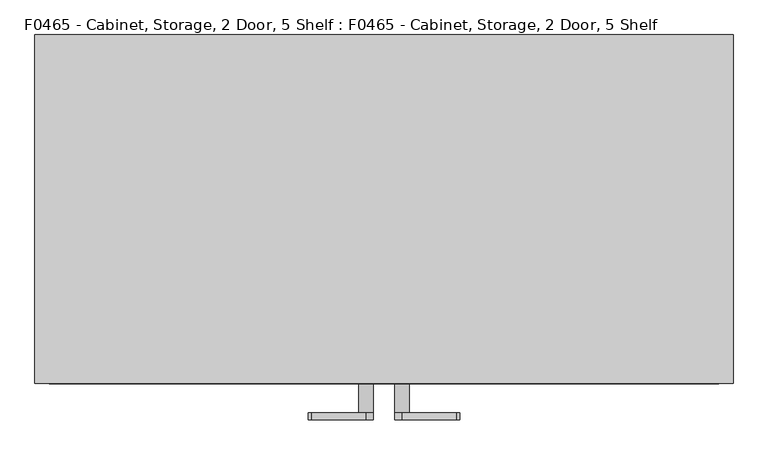
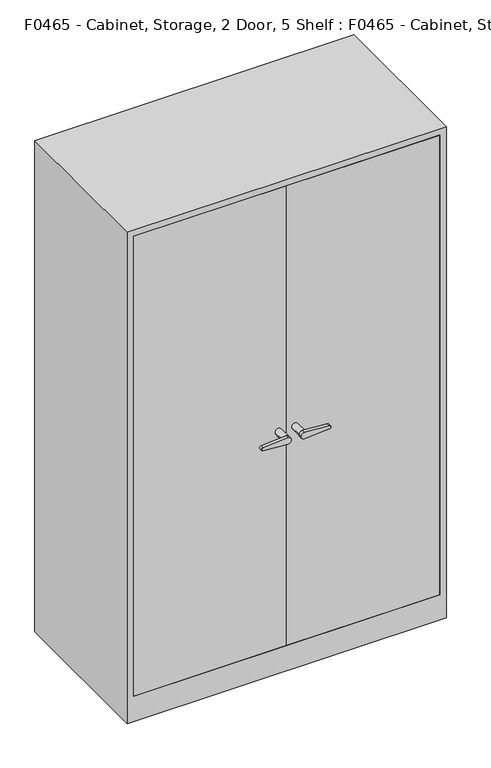
"""IFC4 building model written with IfcOpenShell, lengths in millimetres: proxy geometry, F0465 - Cabinet, Storage, 2 Door, 5 Shelf : F0465 - Cabinet, Storage, 2 Door, 5 Shelf."""

import ifcopenshell
import ifcopenshell.guid

model = None  # the IFC model being written
_history = None  # IfcOwnerHistory: only IFC2X3 demands one
_inside = {}  # id of a spatial element -> (the spatial element, [elements in it])
_under = {}  # id of a project, library or spatial element -> (it, [spatial elements below it])
_declared = {}  # id of a project -> (the project, [libraries it declares])
_typed = {}  # id of a type object -> (the type object, [elements of that type])
_made_of = {}  # id of a material, layer set ... -> (it, [elements and type objects made of it])


def new_model(schema):
    """Start an empty IFC model of exactly this schema.

    Asked for "IFC4X3", IfcOpenShell would pick the latest addendum, in which some entities
    have other attributes; the version numbers below select the first issue.
    IFC2X3 requires an IfcOwnerHistory on every rooted entity: one is made here for all.
    """
    global model, _history
    if schema == "IFC4X3":
        model = ifcopenshell.file(schema_version=(4, 3, 0, 0))
    else:
        model = ifcopenshell.file(schema=schema)
    _inside.clear()
    _under.clear()
    _declared.clear()
    _typed.clear()
    _made_of.clear()
    _history = None
    if model.schema == "IFC2X3":
        org = make("IfcOrganization", Name="unknown")
        user = make(
            "IfcPersonAndOrganization",
            ThePerson=make("IfcPerson", FamilyName="unknown"),
            TheOrganization=org,
        )
        app = make(
            "IfcApplication",
            ApplicationDeveloper=org,
            Version="unknown",
            ApplicationFullName="unknown",
            ApplicationIdentifier="unknown",
        )
        _history = make(
            "IfcOwnerHistory",
            OwningUser=user,
            OwningApplication=app,
            ChangeAction="ADDED",
            CreationDate=0,
        )
    return model


def make(cls, **values):
    """One entity of the class cls with the attributes given. An attribute that is None is left unset."""
    return model.create_entity(
        cls, **{name: value for name, value in values.items() if value is not None}
    )


def rooted(cls, **values):
    """An entity with a GlobalId (a new one), such as an element, a storey or a relation."""
    return make(cls, GlobalId=ifcopenshell.guid.new(), OwnerHistory=_history, **values)


def si_unit(unit_type, name, prefix=None):
    """IfcSIUnit, for example si_unit("LENGTHUNIT", "METRE", prefix="MILLI")."""
    return make("IfcSIUnit", UnitType=unit_type, Prefix=prefix, Name=name)


def assignment(units):
    """IfcUnitAssignment: the units of a project."""
    return None if units is None else make("IfcUnitAssignment", Units=units)


def point(xyz):
    """IfcCartesianPoint."""
    return None if xyz is None else make("IfcCartesianPoint", Coordinates=xyz)


def direction(xyz):
    """IfcDirection."""
    return None if xyz is None else make("IfcDirection", DirectionRatios=xyz)


def frame(location, z_axis=None, x_axis=None):
    """IfcAxis2Placement3D, a coordinate frame: its origin and axes. An axis left out is left unset."""
    return make(
        "IfcAxis2Placement3D",
        Location=point(location),
        Axis=direction(z_axis),
        RefDirection=direction(x_axis),
    )


def frame_2d(location, x_axis=None):
    """IfcAxis2Placement2D, a coordinate frame in the plane: its origin and x axis."""
    return make(
        "IfcAxis2Placement2D", Location=point(location), RefDirection=direction(x_axis)
    )


def origin():
    """The frame at (0, 0, 0) with its axes left unset."""
    return frame((0.0, 0.0, 0.0))


def origin_with_axes():
    """The frame at (0, 0, 0) with the z axis (0, 0, 1) and the x axis (1, 0, 0) written out."""
    return frame((0.0, 0.0, 0.0), z_axis=(0.0, 0.0, 1.0), x_axis=(1.0, 0.0, 0.0))


def place(relative_to, where):
    """IfcLocalPlacement: puts the frame where relative to a parent placement (None: the world)."""
    return make(
        "IfcLocalPlacement", PlacementRelTo=relative_to, RelativePlacement=where
    )


def context(
    kind, dimensions, precision=None, world=None, true_north=None, identifier=None
):
    """IfcGeometricRepresentationContext, for example the 3D "Model" context."""
    return make(
        "IfcGeometricRepresentationContext",
        ContextIdentifier=identifier,
        ContextType=kind,
        CoordinateSpaceDimension=dimensions,
        Precision=precision,
        WorldCoordinateSystem=world,
        TrueNorth=true_north,
    )


def project(units=None, contexts=None):
    """IfcProject with its units and contexts."""
    return rooted(
        "IfcProject",
        Name="project",
        RepresentationContexts=contexts,
        UnitsInContext=assignment(units),
    )


def spatial(cls, under=None, at=None, **own):
    """A site, building, storey or space (cls), placed at a placement, below another one or the project."""
    s = rooted(cls, ObjectPlacement=at, **own)
    if under is not None:
        _under.setdefault(under.id(), (under, []))[1].append(s)
    return s


def polyline(points):
    """IfcPolyline through the points."""
    return make("IfcPolyline", Points=[point(p) for p in points])


def circle_curve(where, radius):
    """IfcCircle in the frame where."""
    return make("IfcCircle", Position=where, Radius=radius)


def trimmed(basis, trim1, trim2, sense, master):
    """IfcTrimmedCurve: the piece of a basis curve between two trims."""
    return make(
        "IfcTrimmedCurve",
        BasisCurve=basis,
        Trim1=trim1,
        Trim2=trim2,
        SenseAgreement=sense,
        MasterRepresentation=master,
    )


def segment(curve, same_sense, transition):
    """IfcCompositeCurveSegment."""
    return make(
        "IfcCompositeCurveSegment",
        Transition=transition,
        SameSense=same_sense,
        ParentCurve=curve,
    )


def composite_curve(segments, self_intersect=None):
    """IfcCompositeCurve: segments joined end to end."""
    return make("IfcCompositeCurve", Segments=segments, SelfIntersect=self_intersect)


def outline(outer, holes=None, kind="AREA"):
    """IfcArbitraryClosedProfileDef: a profile drawn as a closed curve; with holes, ...WithVoids."""
    if holes is None:
        return make("IfcArbitraryClosedProfileDef", ProfileType=kind, OuterCurve=outer)
    return make(
        "IfcArbitraryProfileDefWithVoids",
        ProfileType=kind,
        OuterCurve=outer,
        InnerCurves=holes,
    )


def extrude(swept, where, along, depth):
    """IfcExtrudedAreaSolid: the profile swept, set in the frame where, extruded along a direction by depth."""
    return make(
        "IfcExtrudedAreaSolid",
        SweptArea=swept,
        Position=where,
        ExtrudedDirection=direction(along),
        Depth=depth,
    )


def faces_of(points, faces, orient=None, outer=None):
    """IfcFace entities. A face is a list of loops; a loop is a list of indices into points, from 0.

    orient and outer hold one flag for each loop. By default every Orientation is true, the
    first loop of a face is its IfcFaceOuterBound and the others are IfcFaceBound.
    """
    made = []
    for i, loops in enumerate(faces):
        bounds = []
        for j, loop in enumerate(loops):
            is_outer = j == 0 if outer is None else outer[i][j]
            bounds.append(
                make(
                    "IfcFaceOuterBound" if is_outer else "IfcFaceBound",
                    Bound=make("IfcPolyLoop", Polygon=[points[k] for k in loop]),
                    Orientation=True if orient is None else orient[i][j],
                )
            )
        made.append(make("IfcFace", Bounds=bounds))
    return made


def faceted_brep(points, faces, orient=None, outer=None, voids=None):
    """IfcFacetedBrep: a solid bounded by flat faces; with voids (closed shells), ...WithVoids."""
    shared = [point(p) for p in points]
    hull = make("IfcClosedShell", CfsFaces=faces_of(shared, faces, orient, outer))
    if voids is None:
        return make("IfcFacetedBrep", Outer=hull)
    return make(
        "IfcFacetedBrepWithVoids",
        Outer=hull,
        Voids=[
            make(cls, CfsFaces=faces_of(shared, fs, o, b)) for cls, fs, o, b in voids
        ],
    )


def shape(context_of_items, identifier, shape_type, items):
    """IfcShapeRepresentation: the items that make up one representation, for example the "Body"."""
    return make(
        "IfcShapeRepresentation",
        ContextOfItems=context_of_items,
        RepresentationIdentifier=identifier,
        RepresentationType=shape_type,
        Items=items,
    )


def source(mapping_origin, context_of_items, identifier, shape_type, items):
    """IfcRepresentationMap: a shape defined once, which mapped items show again and again."""
    return make(
        "IfcRepresentationMap",
        MappingOrigin=mapping_origin,
        MappedRepresentation=shape(context_of_items, identifier, shape_type, items),
    )


def transform(
    local_origin,
    x_axis=None,
    y_axis=None,
    z_axis=None,
    scale=None,
    scale2=None,
    scale3=None,
    uniform=True,
):
    """IfcCartesianTransformationOperator3D, or its non-uniform kind. x_axis, y_axis, z_axis: its Axis1, 2, 3."""
    if uniform:
        return make(
            "IfcCartesianTransformationOperator3D",
            Axis1=direction(x_axis),
            Axis2=direction(y_axis),
            LocalOrigin=point(local_origin),
            Scale=scale,
            Axis3=direction(z_axis),
        )
    return make(
        "IfcCartesianTransformationOperator3DnonUniform",
        Axis1=direction(x_axis),
        Axis2=direction(y_axis),
        LocalOrigin=point(local_origin),
        Scale=scale,
        Axis3=direction(z_axis),
        Scale2=scale2,
        Scale3=scale3,
    )


def mapped(mapping_source, mapping_target):
    """IfcMappedItem: shows the shape of a source again, moved by a transform."""
    return make(
        "IfcMappedItem", MappingSource=mapping_source, MappingTarget=mapping_target
    )


def made_of(thing, what):
    """Note that an element or type object is made of a material, layer set ...; save() writes the relation."""
    if what is not None:
        _made_of.setdefault(what.id(), (what, []))[1].append(thing)
    return thing


def element(
    cls,
    number,
    at=None,
    inside=None,
    cuts=None,
    type_object=None,
    material=None,
    context=None,
    identifier="Body",
    shape_type=None,
    held_by="IfcProductDefinitionShape",
    body=None,
    shapes=None,
    **own,
):
    """One element of the class cls, such as IfcWall. Its Tag is "e" and its number.

    at: its placement. inside: the storey or other place that contains it. cuts: it is an
    opening in that element (IfcRelVoidsElement). A single representation is given by context,
    identifier, shape_type and body (its items); several are given by shapes. held_by: the class
    of the entity that holds the representations. save() writes the other relations.
    """
    e = rooted(cls, Tag="e%d" % number, ObjectPlacement=at, **own)
    if body is not None:
        shapes = [shape(context, identifier, shape_type, body)]
    if shapes is not None:
        e.Representation = make(held_by, Representations=shapes)
    if inside is not None:
        _inside.setdefault(inside.id(), (inside, []))[1].append(e)
    if cuts is not None:
        rooted(
            "IfcRelVoidsElement", RelatingBuildingElement=cuts, RelatedOpeningElement=e
        )
    if type_object is not None:
        _typed.setdefault(type_object.id(), (type_object, []))[1].append(e)
    return made_of(e, material)


def aggregate(whole, parts):
    """IfcRelAggregates: a whole, such as a stair, and the parts it consists of."""
    return rooted("IfcRelAggregates", RelatingObject=whole, RelatedObjects=parts)


def save(model, path):
    """Write the relations noted so far, then the file.

    IfcRelAggregates (storeys below a building ...), IfcRelContainedInSpatialStructure (elements
    in a storey), IfcRelDefinesByType, IfcRelAssociatesMaterial and IfcRelDeclares: one each for
    every whole, place, type object, material and project.
    """
    for whole, parts in _under.values():
        aggregate(whole, parts)
    for where, things in _inside.values():
        rooted(
            "IfcRelContainedInSpatialStructure",
            RelatedElements=things,
            RelatingStructure=where,
        )
    for kind, things in _typed.values():
        rooted("IfcRelDefinesByType", RelatedObjects=things, RelatingType=kind)
    for what, things in _made_of.values():
        rooted("IfcRelAssociatesMaterial", RelatedObjects=things, RelatingMaterial=what)
    for by, libraries in _declared.values():
        rooted("IfcRelDeclares", RelatingContext=by, RelatedDefinitions=libraries)
    model.write(path)


def f0465_cabinet_storage_2_door_5_shelf_f0465_cabinet_storage_2_be5e22c5(model_context):
    return source(origin(), model_context, "Body", "SolidModel", [
        extrude(outline(composite_curve([segment(trimmed(circle_curve(frame_2d((975.7942264, -31.5214938)), 12.7), [point((963.0942264, -31.5214938))], [point((988.4942264, -31.5214938))], False, "CARTESIAN"), True, "CONTINUOUS"), segment(polyline([(988.4942264, -31.5214938), (981.8203114, -126.9629251)]), True, "CONTINUOUS"), segment(trimmed(circle_curve(frame_2d((975.7942264, -126.1160141)), 6.0853068), [point((981.8203114, -126.9629251))], [point((969.7681414, -126.9629251))], False, "CARTESIAN"), True, "CONTINUOUS"), segment(polyline([(969.7681414, -126.9629251), (963.0942264, -31.5214938)]), True, "CONTINUOUS")], self_intersect=False)), frame((0.0, -368.3, 0.0), z_axis=(0.0, 1.0, 0.0), x_axis=(0.0, 0.0, 1.0)), (0.0, 0.0, 1.0), 12.7),
        extrude(outline(composite_curve([segment(trimmed(circle_curve(frame_2d((975.7942264, -31.5214938)), 12.7), [point((975.7942264, -18.8214938))], [point((975.7942264, -44.2214938))], False, "CARTESIAN"), True, "CONTINUOUS"), segment(trimmed(circle_curve(frame_2d((975.7942264, -31.5214938)), 12.7), [point((975.7942264, -44.2214938))], [point((975.7942264, -18.8214938))], False, "CARTESIAN"), True, "CONTINUOUS")], self_intersect=False)), frame((0.0, -355.6, 0.0), z_axis=(0.0, 1.0, 0.0), x_axis=(0.0, 0.0, 1.0)), (0.0, 0.0, 1.0), 50.8),
        extrude(outline(composite_curve([segment(polyline([(963.0942264, 31.5214938), (969.7681414, 126.9629251)]), True, "CONTINUOUS"), segment(trimmed(circle_curve(frame_2d((975.7942264, 126.1160141)), 6.0853068), [point((969.7681414, 126.9629251))], [point((981.8203114, 126.9629251))], False, "CARTESIAN"), True, "CONTINUOUS"), segment(polyline([(981.8203114, 126.9629251), (988.4942264, 31.5214938)]), True, "CONTINUOUS"), segment(trimmed(circle_curve(frame_2d((975.7942264, 31.5214938)), 12.7), [point((988.4942264, 31.5214938))], [point((963.0942264, 31.5214938))], False, "CARTESIAN"), True, "CONTINUOUS")], self_intersect=False)), frame((0.0, -368.3, 0.0), z_axis=(0.0, 1.0, 0.0), x_axis=(0.0, 0.0, 1.0)), (0.0, 0.0, 1.0), 12.7),
        extrude(outline(composite_curve([segment(trimmed(circle_curve(frame_2d((975.7942264, 31.5214938)), 12.7), [point((975.7942264, 18.8214938))], [point((975.7942264, 44.2214938))], False, "CARTESIAN"), True, "CONTINUOUS"), segment(trimmed(circle_curve(frame_2d((975.7942264, 31.5214938)), 12.7), [point((975.7942264, 44.2214938))], [point((975.7942264, 18.8214938))], False, "CARTESIAN"), True, "CONTINUOUS")], self_intersect=False)), frame((0.0, -355.6, 0.0), z_axis=(0.0, 1.0, 0.0), x_axis=(0.0, 0.0, 1.0)), (0.0, 0.0, 1.0), 50.8),
        extrude(outline(polyline([(0.0, -304.8), (0.0, -279.4), (584.2, -279.4), (584.2, -304.8), (0.0, -304.8)])), frame((0.0, 0.0, 101.6), z_axis=(0.0, 0.0, 1.0), x_axis=(1.0, 0.0, 0.0)), (0.0, 0.0, 1.0), 1854.2),
        extrude(outline(polyline([(0.0, -304.8), (-584.2, -304.8), (-584.2, -279.4), (0.0, -279.4), (0.0, -304.8)])), frame((0.0, 0.0, 101.6), z_axis=(0.0, 0.0, 1.0), x_axis=(1.0, 0.0, 0.0)), (0.0, 0.0, 1.0), 1854.2),
        faceted_brep([(609.6, -304.8, 1981.2), (-609.6, -304.8, 1981.2), (-609.6, -304.8, 0.0), (609.6, -304.8, 0.0), (-584.2, -304.8, 1955.8), (584.2, -304.8, 1955.8), (584.2, -304.8, 101.6), (-584.2, -304.8, 101.6), (609.6, 304.8, 1981.2), (-609.6, 304.8, 1981.2), (-609.6, 304.8, 0.0), (609.6, 304.8, 0.0), (-584.2, 279.4, 1955.8), (584.2, 279.4, 1955.8), (584.2, 279.4, 101.6), (-584.2, 279.4, 101.6)], [[[0, 1, 2, 3], [4, 5, 6, 7]], [[1, 0, 8, 9]], [[2, 1, 9, 10]], [[3, 2, 10, 11]], [[8, 0, 3, 11]], [[5, 4, 12, 13]], [[6, 5, 13, 14]], [[7, 6, 14, 15]], [[4, 7, 15, 12]], [[9, 8, 11, 10]], [[13, 12, 15, 14]]]),
        extrude(outline(polyline([(-609.6, 304.8), (609.6, 304.8), (609.6, -304.8), (-609.6, -304.8), (-609.6, 0.0), (-609.6, 304.8)])), origin_with_axes(), (0.0, 0.0, 1.0), 1981.2),
    ])


if __name__ == "__main__":
    model = new_model("IFC4")
    model_context = context("Model", 3, world=origin())
    ifc_project = project(units=[si_unit("LENGTHUNIT", "METRE", prefix="MILLI")], contexts=[model_context])
    site = spatial("IfcSite", under=ifc_project)
    building = spatial("IfcBuilding", under=site)
    placement = place(None, origin())
    f0465_cabinet_storage_2_door_5_shelf_f0465_cabinet_storage_2_shape = f0465_cabinet_storage_2_door_5_shelf_f0465_cabinet_storage_2_be5e22c5(model_context)
    element("IfcBuildingElementProxy", 1, Name="F0465 - Cabinet, Storage, 2 Door, 5 Shelf : F0465 - Cabinet, Storage, 2 Door, 5 Shelf", ObjectType="F0465 - Cabinet, Storage, 2 Door, 5 Shelf : F0465 - Cabinet, Storage, 2 Door, 5 Shelf", at=placement, inside=building, context=model_context, shape_type="MappedRepresentation", body=[
        mapped(f0465_cabinet_storage_2_door_5_shelf_f0465_cabinet_storage_2_shape, transform((0.0, 0.0, 0.0), x_axis=(1.0, 0.0, 0.0), y_axis=(0.0, 1.0, 0.0), z_axis=(0.0, 0.0, 1.0))),
    ])
    save(model, "model.ifc")
